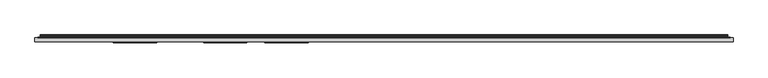
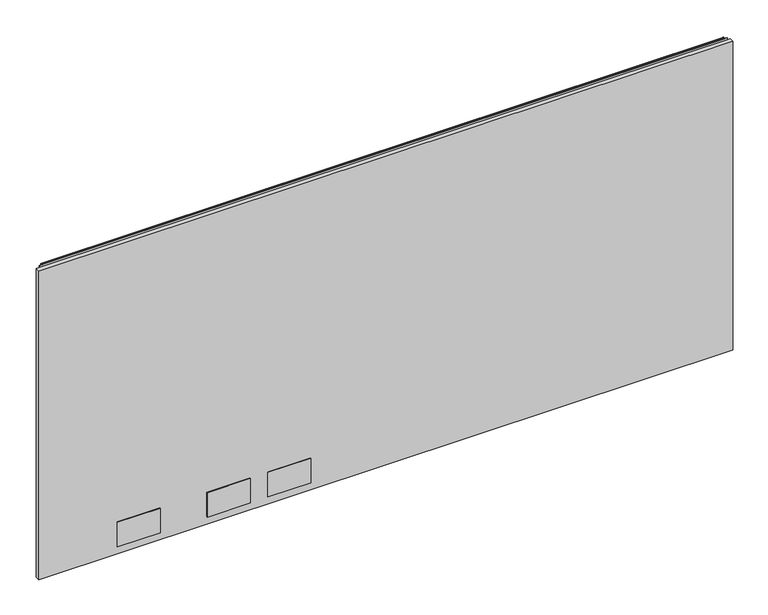
"""IFC4 building model written with IfcOpenShell, lengths in millimetres: furniture geometry."""

from ifc_helpers import new_model, si_unit, point, frame, frame_2d, origin, place, context, project, spatial, polyline, circle_curve, trimmed, segment, composite_curve, outline, extrude, source, transform, mapped, element, save


def furniture_4db862dc(model_context):
    return source(origin(), model_context, "Body", "SweptSolid", [
        extrude(outline(polyline([(1.778, 1.45288), (1.778, 10.9778796), (1522.2219835, 10.9778796), (1522.2219835, 1.45288), (1.778, 1.45288)])), frame((0.0, 0.0, 16.0528), z_axis=(0.0, 0.0, 1.0), x_axis=(1.0, 0.0, 0.0)), (0.0, 0.0, 1.0), 715.7592871),
        extrude(outline(polyline([(266.572991, -0.57912), (172.3390082, -0.57912), (172.3390082, 1.45288), (266.572991, 1.45288), (266.572991, -0.57912)])), frame((0.0, 0.0, 33.5787996), z_axis=(0.0, 0.0, 1.0), x_axis=(1.0, 0.0, 0.0)), (0.0, 0.0, 1.0), 56.6420005),
        extrude(outline(polyline([(463.422985, -0.57912), (369.188984, -0.57912), (369.188984, 1.45288), (463.422985, 1.45288), (463.422985, -0.57912)])), frame((0.0, 0.0, 33.5787996), z_axis=(0.0, 0.0, 1.0), x_axis=(1.0, 0.0, 0.0)), (0.0, 0.0, 1.0), 56.6420005),
        extrude(outline(polyline([(596.772985, -0.57912), (502.538984, -0.57912), (502.538984, 1.45288), (596.772985, 1.45288), (596.772985, -0.57912)])), frame((0.0, 0.0, 33.5787996), z_axis=(0.0, 0.0, 1.0), x_axis=(1.0, 0.0, 0.0)), (0.0, 0.0, 1.0), 56.6420005),
        extrude(outline(composite_curve([segment(polyline([(10.9778796, 736.2381024), (10.9778796, 737.1805903)]), True, "CONTINUOUS"), segment(trimmed(circle_curve(frame_2d((11.6164846, 737.1805903)), 0.638605), [point((10.9778796, 737.1805903))], [point((11.6164846, 737.8191953))], False, "CARTESIAN"), True, "CONTINUOUS"), segment(polyline([(11.6164846, 737.8191953), (13.251317, 737.8191953)]), True, "CONTINUOUS"), segment(trimmed(circle_curve(frame_2d((13.251317, 735.4458753)), 2.37332), [point((13.251317, 737.8191953))], [point((15.6071079, 735.1579575))], False, "CARTESIAN"), True, "CONTINUOUS"), segment(polyline([(15.6071079, 735.1579575), (15.2080413, 731.8927287)]), True, "CONTINUOUS"), segment(trimmed(circle_curve(frame_2d((17.5068753, 731.6117719)), 2.3159393), [point((15.2080413, 731.8927287))], [point((15.5012134, 730.4538018))], True, "CARTESIAN"), True, "CONTINUOUS"), segment(polyline([(15.5012134, 730.4538018), (16.6600675, 728.4466087), (15.9781592, 728.0529085), (14.819305, 730.0601016)]), True, "CONTINUOUS"), segment(trimmed(circle_curve(frame_2d((17.5068753, 731.6117719)), 3.1033393), [point((14.819305, 730.0601016))], [point((14.4264569, 731.9882516))], False, "CARTESIAN"), True, "CONTINUOUS"), segment(polyline([(14.4264569, 731.9882516), (14.8255236, 735.2534804)]), True, "CONTINUOUS"), segment(trimmed(circle_curve(frame_2d((13.251317, 735.4458753)), 1.58592), [point((14.8255236, 735.2534804))], [point((13.251317, 737.0317953))], True, "CARTESIAN"), True, "CONTINUOUS"), segment(polyline([(13.251317, 737.0317953), (11.7652796, 737.0317953), (11.7652796, 736.2381024), (10.9778796, 736.2381024)]), True, "CONTINUOUS")], self_intersect=False)), frame((13.7160002, 0.0, 0.0), z_axis=(1.0, 0.0, 0.0), x_axis=(0.0, 1.0, 0.0)), (0.0, 0.0, 1.0), 1496.5680076),
        extrude(outline(polyline([(8.1280002, 10.9778796), (8.1280002, 11.7652796), (1515.8720078, 11.7652796), (1515.8720078, 10.9778796), (8.1280002, 10.9778796)])), frame((0.0, 0.0, 705.5612079), z_axis=(0.0, 0.0, 1.0), x_axis=(1.0, 0.0, 0.0)), (0.0, 0.0, 1.0), 30.8009179),
    ])


if __name__ == "__main__":
    model = new_model("IFC4")
    model_context = context("Model", 3, world=origin())
    ifc_project = project(units=[si_unit("LENGTHUNIT", "METRE", prefix="MILLI")], contexts=[model_context])
    site = spatial("IfcSite", under=ifc_project)
    building = spatial("IfcBuilding", under=site)
    placement = place(None, origin())
    furniture_shape = furniture_4db862dc(model_context)
    element("IfcFurniture", 1, at=placement, inside=building, context=model_context, shape_type="MappedRepresentation", body=[
        mapped(furniture_shape, transform((0.0, 0.0, 0.0), x_axis=(1.0, 0.0, 0.0), y_axis=(0.0, 1.0, 0.0), z_axis=(0.0, 0.0, 1.0))),
    ])
    save(model, "model.ifc")
